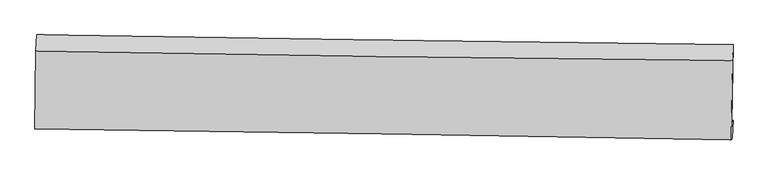
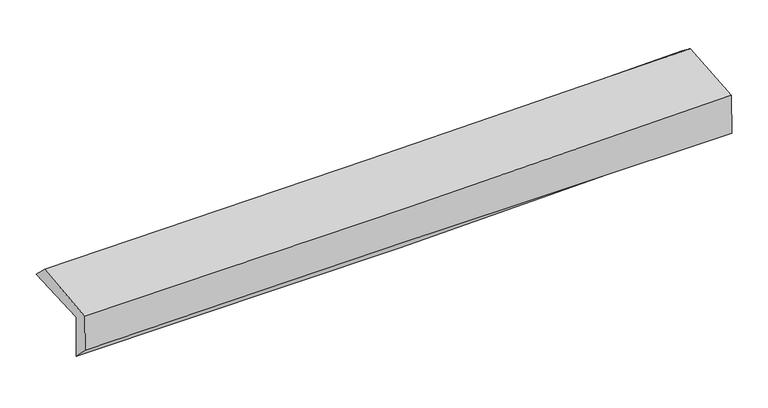
"""IFC4 building model written with IfcOpenShell, lengths in millimetres: proxy geometry."""

from ifc_helpers import new_model, si_unit, frame, origin, place, context, project, spatial, source, transform, mapped, element, save
from ifc_brep_helpers import plane_surface, spline_curve, spline_surface, advanced_brep


def generic_models_0d4345bc(model_context):
    return source(origin(), model_context, "Body", "AdvancedBrep", [
        advanced_brep(
        [(-3018.2782891, -1757.9445139, 1959.1294279), (-3008.6180771, -1092.919769, 1978.5776576), (3005.5615661, -1178.8725822, 2143.5035411), (2995.1579707, -1851.011644, 2117.9000204), (-3008.2826131, -1742.8226094, 1558.0902973), (3005.140416, -1835.9097556, 1717.3917229), (-3014.2666943, -1892.4767041, 1710.190726), (3000.2127742, -1988.5881062, 1817.0825257), (-3022.9206359, -1905.5687728, 2057.3977771), (2990.5519549, -2003.2034246, 2204.686784), (-3014.0692514, -1233.6374833, 2114.3850641), (3000.7733132, -1315.7636873, 2248.1144855)],
        [
            (0, 1),
            (1, 2, spline_curve(3, [(-3008.6180771, -1092.919769, 1978.5776576), (-2005.930219224, -1109.560967041, 1991.585798697), (-1003.411244338, -1125.044221827, 2011.833417062), (1001.315312441, -1153.695220288, 2066.808330553), (2003.522885297, -1166.86290358, 2101.53600676), (3005.5615661, -1178.8725822, 2143.5035411)], [4, 2, 4], [0.0, 9.86995376570525, 19.740167220456577])),
            (2, 3),
            (3, 0, spline_curve(3, [(2995.1579707, -1851.011644, 2117.9000204), (1993.131756305, -1842.104177417, 2078.808888998), (990.992366581, -1829.89470464, 2046.032349918), (-1013.486392537, -1798.872154073, 1993.109151106), (-2015.825756254, -1780.059250418, 1972.962159549), (-3018.2782891, -1757.9445139, 1959.1294279)], [4, 2, 4], [0.0, 9.870213454751328, 19.740167220456577])),
            (4, 0),
            (3, 5),
            (5, 4, spline_curve(3, [(3005.140416, -1835.9097556, 1717.3917229), (2003.121065, -1826.991905723, 1678.025224185), (1000.986209464, -1814.775573312, 1645.066765873), (-1003.488139478, -1783.746351089, 1591.966627879), (-2005.827627486, -1764.933634806, 1571.824610976), (-3008.2826131, -1742.8226094, 1558.0902973)], [4, 2, 4], [0.0, 9.869561129524827, 19.7388625871665])),
            (6, 4),
            (5, 7),
            (7, 6, spline_curve(3, [(3000.2127742, -1988.5881062, 1817.0825257), (1997.709741932, -1971.49422787, 1804.124507655), (995.245010428, -1954.937906647, 1788.737699317), (-1009.58147701, -1922.900801013, 1753.106971818), (-2011.943234812, -1907.419987982, 1732.863180011), (-3014.2666943, -1892.4767041, 1710.190726)], [4, 2, 4], [0.0, 9.869199932402875, 19.73814020242583])),
            (8, 6),
            (7, 9),
            (9, 8, spline_curve(3, [(2990.5519549, -2003.2034246, 2204.686784), (1988.552363772, -1985.347917847, 2171.530073568), (986.423258323, -1968.283847041, 2142.677529897), (-1018.06761232, -1935.739004698, 2093.581420581), (-2020.429370108, -1920.258191814, 2073.337628797), (-3022.9206359, -1905.5687728, 2057.3977771)], [4, 2, 4], [0.0, 9.869065865784673, 19.73787207271677])),
            (10, 8),
            (9, 11),
            (11, 10, spline_curve(3, [(3000.7733132, -1315.7636873, 2248.1144855), (1998.350511234, -1305.666504004, 2221.743968993), (995.8956355, -1293.773948102, 2197.414472492), (-1009.051887889, -1266.398452433, 2152.838106326), (-2011.544533638, -1250.915606781, 2132.591128735), (-3014.0692514, -1233.6374833, 2114.3850641)], [4, 2, 4], [0.0, 9.869727207959002, 19.739194739665262])),
            (1, 10),
            (11, 2),
        ],
        [
            spline_surface(3, 3, [[(-3018.2782891, -1757.9445139, 1959.1294279), (-2015.825756344, -1780.05925035, 1972.962159702), (-1013.48639258, -1798.872154123, 1993.109151229), (990.992366623, -1829.89470459, 2046.032349795), (1993.131756164, -1842.104177487, 2078.808889087), (2995.1579707, -1851.011644, 2117.9000204)], [(-3015.058218454, -1536.26959893, 1965.612171131), (-2012.527243959, -1556.559822624, 1979.170039406), (-1010.128009811, -1574.262843303, 1999.350573168), (994.433348535, -1604.494876505, 2052.957676725), (1996.595465857, -1617.023752838, 2086.384595001), (2998.625835843, -1626.965290055, 2126.434527289)], [(-3011.838147746, -1314.59468397, 1972.094914369), (-2009.228731511, -1333.060394907, 1985.377919119), (-1006.769627033, -1349.65353254, 2005.591995099), (997.874330456, -1379.095048478, 2059.883003646), (2000.059175523, -1391.943328224, 2093.960300948), (3002.093700957, -1402.918936145, 2134.969034211)], [(-3008.6180771, -1092.919769, 1978.5776576), (-2005.930219126, -1109.560967181, 1991.585798823), (-1003.411244264, -1125.04422172, 2011.833417039), (1001.315312367, -1153.695220394, 2066.808330576), (2003.522885217, -1166.862903576, 2101.536006862), (3005.5615661, -1178.8725822, 2143.5035411)]], [4, 4], [4, 2, 4], [0.0, 2.2158124174579723], [0.0, 9.86995376570525, 19.740167220456577]),
            spline_surface(3, 3, [[(-3008.2826131, -1742.8226094, 1558.0902973), (-2005.82762733, -1764.933634821, 1571.824611094), (-1003.488139551, -1783.746351056, 1591.966627867), (1000.986209536, -1814.775573344, 1645.066765885), (2003.121064838, -1826.991905866, 1678.025224292), (3005.140416, -1835.9097556, 1717.3917229)], [(-3011.6145051, -1747.863244232, 1691.770007507), (-2009.160337001, -1769.975506662, 1705.537127304), (-1006.820890552, -1788.788285424, 1725.680802318), (997.654928574, -1819.815283772, 1778.721960519), (1999.791295286, -1832.029329764, 1811.619779229), (3001.812934239, -1840.943718425, 1850.894488739)], [(-3014.9463971, -1752.903879068, 1825.449717693), (-2012.493046673, -1775.017378508, 1839.249643492), (-1010.153641578, -1793.830219755, 1859.394976777), (994.323647586, -1824.854994162, 1912.377155161), (1996.461525716, -1837.066753588, 1945.21433415), (2998.485452461, -1845.977681175, 1984.397254561)], [(-3018.2782891, -1757.9445139, 1959.1294279), (-2015.825756344, -1780.05925035, 1972.962159702), (-1013.48639258, -1798.872154123, 1993.109151229), (990.992366623, -1829.89470459, 2046.032349795), (1993.131756164, -1842.104177487, 2078.808889087), (2995.1579707, -1851.011644, 2117.9000204)]], [4, 4], [4, 2, 4], [0.0, 1.31713754979863], [0.0, 9.869301457641674, 19.7388625871665]),
            spline_surface(3, 3, [[(-3014.2666943, -1892.4767041, 1710.190726), (-2011.943234943, -1907.41998795, 1732.863179938), (-1009.581477039, -1922.90080095, 1753.106971716), (995.245010457, -1954.93790671, 1788.737699419), (1997.70974203, -1971.494227716, 1804.124507541), (3000.2127742, -1988.5881062, 1817.0825257)], [(-3012.272000542, -1842.592005882, 1659.490583076), (-2009.904699048, -1859.924536922, 1679.183656966), (-1007.550364556, -1876.515984333, 1699.393523761), (997.15874347, -1908.217128936, 1740.847388236), (1999.513516289, -1923.32678709, 1762.09141311), (3001.855321456, -1937.695322657, 1783.852258086)], [(-3010.277306858, -1792.707307618, 1608.790440224), (-2007.866163226, -1812.429085848, 1625.504134066), (-1005.519252033, -1830.131167673, 1645.680075821), (999.072476523, -1861.496351119, 1692.957077068), (2001.31729058, -1875.159346492, 1720.058318723), (3003.497868744, -1886.802539143, 1750.621990514)], [(-3008.2826131, -1742.8226094, 1558.0902973), (-2005.82762733, -1764.933634821, 1571.824611094), (-1003.488139551, -1783.746351056, 1591.966627867), (1000.986209536, -1814.775573344, 1645.066765885), (2003.121064838, -1826.991905866, 1678.025224292), (3005.140416, -1835.9097556, 1717.3917229)]], [4, 4], [4, 2, 4], [0.0, 0.6784828678295297], [0.0, 9.868940270022954, 19.73814020242583]),
            spline_surface(3, 3, [[(-3022.9206359, -1905.5687728, 2057.3977771), (-2020.429370201, -1920.25819173, 2073.33762889), (-1018.067612196, -1935.73900473, 2093.581420668), (986.423258199, -1968.283847009, 2142.677529809), (1988.552363834, -1985.34791796, 2171.530073678), (2990.5519549, -2003.2034246, 2204.686784)], [(-3020.035988723, -1901.204749886, 1941.662093399), (-2017.600658471, -1915.978790455, 1959.846145904), (-1015.238900467, -1931.459603455, 1980.089937683), (989.363842296, -1963.835200229, 2024.697586344), (1991.60482324, -1980.73002122, 2049.061551638), (2993.772228007, -1998.331651808, 2075.485364572)], [(-3017.151341477, -1896.840727014, 1825.926409701), (-2014.771946673, -1911.699389224, 1846.354662923), (-1012.410188768, -1927.180202224, 1866.598454701), (992.304426361, -1959.386553491, 1906.717642884), (1994.657282624, -1976.112124456, 1926.593029581), (2996.992501093, -1993.459878992, 1946.283945128)], [(-3014.2666943, -1892.4767041, 1710.190726), (-2011.943234943, -1907.41998795, 1732.863179938), (-1009.581477039, -1922.90080095, 1753.106971716), (995.245010457, -1954.93790671, 1788.737699419), (1997.70974203, -1971.494227716, 1804.124507541), (3000.2127742, -1988.5881062, 1817.0825257)]], [4, 4], [4, 2, 4], [0.0, 1.1402946636918079], [0.0, 9.868806206932096, 19.73787207271677]),
            spline_surface(3, 3, [[(-3014.0692514, -1233.6374833, 2114.3850641), (-2011.544533603, -1250.915606748, 2132.591128852), (-1009.051887807, -1266.398452355, 2152.838106211), (995.895635418, -1293.77394818, 2197.414472607), (1998.350511147, -1305.666503868, 2221.743969059), (3000.7733132, -1315.7636873, 2248.1144855)], [(-3017.0197129, -1457.614579808, 2095.389301777), (-2014.506145803, -1474.02980175, 2112.839962208), (-1012.057129258, -1489.511969808, 2133.085877681), (992.738176357, -1518.610581118, 2179.168824992), (1995.084462019, -1532.226975212, 2205.00600394), (2997.366193743, -1544.910266381, 2233.638585009)], [(-3019.9701744, -1681.591676292, 2076.393539423), (-2017.467758002, -1697.143996728, 2093.088795534), (-1015.062370745, -1712.625487276, 2113.333649199), (989.58071726, -1743.447214071, 2160.923177424), (1991.818412962, -1758.787446615, 2188.268038797), (2993.959074357, -1774.056845519, 2219.162684491)], [(-3022.9206359, -1905.5687728, 2057.3977771), (-2020.429370201, -1920.25819173, 2073.33762889), (-1018.067612196, -1935.73900473, 2093.581420668), (986.423258199, -1968.283847009, 2142.677529809), (1988.552363834, -1985.34791796, 2171.530073678), (2990.5519549, -2003.2034246, 2204.686784)]], [4, 4], [4, 2, 4], [0.0, 2.212604075224358], [0.0, 9.86946753170626, 19.739194739665262]),
            spline_surface(3, 3, [[(-3008.6180771, -1092.919769, 1978.5776576), (-2005.930219126, -1109.560967181, 1991.585798823), (-1003.411244264, -1125.04422172, 2011.833417039), (1001.315312367, -1153.695220394, 2066.808330576), (2003.522885217, -1166.862903576, 2101.536006862), (3005.5615661, -1178.8725822, 2143.5035411)], [(-3010.435135181, -1139.825673762, 2023.846793111), (-2007.801657266, -1156.679180365, 2038.58757551), (-1005.291458793, -1172.16229861, 2058.834980118), (999.50875337, -1200.388129667, 2110.343711275), (2001.798760539, -1213.130770348, 2141.6053276), (3003.965481812, -1224.502950575, 2178.373855906)], [(-3012.252193319, -1186.731578538, 2069.115928589), (-2009.673095463, -1203.797393564, 2085.589352165), (-1007.171673278, -1219.280375465, 2105.836543132), (997.702194415, -1247.081038907, 2153.879091908), (2000.074635825, -1259.398637095, 2181.674648321), (3002.369397488, -1270.133318925, 2213.244170694)], [(-3014.0692514, -1233.6374833, 2114.3850641), (-2011.544533603, -1250.915606748, 2132.591128852), (-1009.051887807, -1266.398452355, 2152.838106211), (995.895635418, -1293.77394818, 2197.414472607), (1998.350511147, -1305.666503868, 2221.743969059), (3000.7733132, -1315.7636873, 2248.1144855)]], [4, 4], [4, 2, 4], [0.0, 0.6418615853253484], [0.0, 9.870313295031737, 19.740886288569154]),
            plane_surface(frame((2999.5663325, -1695.5582, 2041.4465133), z_axis=(0.9995703398328427, -0.016397163949940376, 0.024295446916120778), x_axis=(0.024899018872204397, 0.03766834633185473, -0.9989800471199738))),
            plane_surface(frame((-3014.4059268, -1604.2283087, 1896.2951583), z_axis=(-0.9995876961400345, 0.015231907439000835, -0.02433981760876393), x_axis=(-0.014518356003893916, -0.9994673056563328, -0.02922879167900997))),
        ],
        [
            (0, [[1, 2, 3, 4]]),
            (1, [[5, -4, 6, 7]]),
            (2, [[8, -7, 9, 10]]),
            (3, [[11, -10, 12, 13]]),
            (4, [[14, -13, 15, 16]]),
            (5, [[17, -16, 18, -2]]),
            (6, [[-12, -9, -6, -3, -18, -15]]),
            (7, [[-1, -5, -8, -11, -14, -17]]),
        ],
    ),
    ])


if __name__ == "__main__":
    model = new_model("IFC4")
    model_context = context("Model", 3, world=origin())
    ifc_project = project(units=[si_unit("LENGTHUNIT", "METRE", prefix="MILLI")], contexts=[model_context])
    site = spatial("IfcSite", under=ifc_project)
    building = spatial("IfcBuilding", under=site)
    placement = place(None, origin())
    generic_models_shape = generic_models_0d4345bc(model_context)
    element("IfcBuildingElementProxy", 1, Name="Generic Models", at=placement, inside=building, context=model_context, shape_type="MappedRepresentation", body=[
        mapped(generic_models_shape, transform((0.0, 0.0, 0.0), x_axis=(1.0, 0.0, 0.0), y_axis=(0.0, 1.0, 0.0), z_axis=(0.0, 0.0, 1.0))),
    ])
    save(model, "model.ifc")
